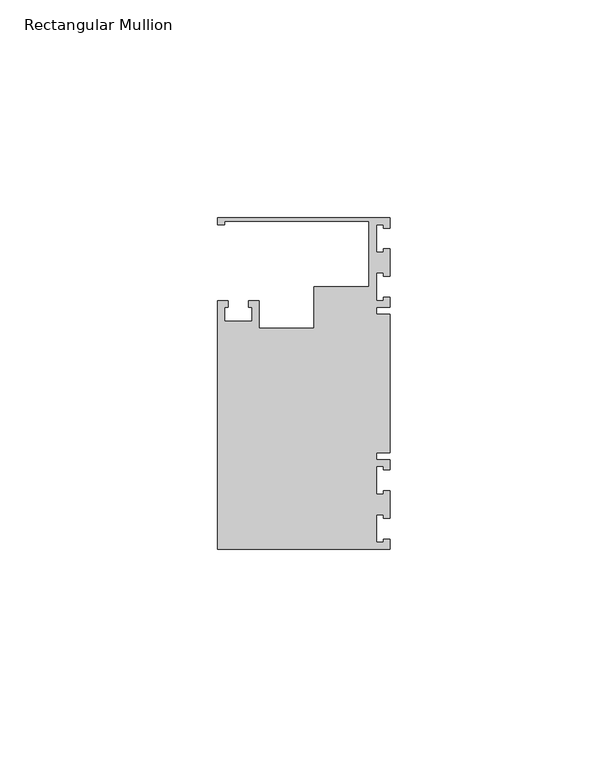
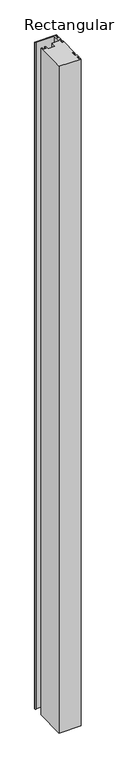
"""IFC4 building model written with IfcOpenShell, lengths in millimetres: member geometry, Rectangular Mullion."""

from ifc_helpers import new_model, si_unit, frame, origin, place, context, project, spatial, polyline, outline, extrude, source, transform, mapped, element, save


def rectangular_mullion_7e5b5da9(model_context):
    return source(origin(), model_context, "Body", "SweptSolid", [
        extrude(outline(polyline([(0.0, 38.1), (0.0, 35.71875), (-1.4999946, 35.71875), (-1.4999946, 36.5125), (-3.175, 36.5125), (-3.175, 30.1625), (-1.4999946, 30.1625), (-1.4999946, 30.95625), (0.0, 30.95625), (0.0, 24.60625), (-1.4999946, 24.60625), (-1.4999946, 25.4), (-3.175, 25.4), (-3.175, 19.05), (-1.4999946, 19.05), (-1.4999946, 19.84375), (0.0, 19.84375), (0.0, 17.4625), (-3.175, 17.4625), (-3.175, 15.875), (0.0, 15.875), (0.0, -15.875), (-3.175, -15.875), (-3.175, -17.4625), (0.0, -17.4625), (0.0, -19.84375), (-1.4999946, -19.84375), (-1.4999946, -19.05), (-3.175, -19.05), (-3.175, -25.4), (-1.4999946, -25.4), (-1.4999946, -24.60625), (0.0, -24.60625), (0.0, -30.95625), (-1.4999946, -30.95625), (-1.4999946, -30.1625), (-3.175, -30.1625), (-3.175, -36.5125), (-1.4999946, -36.5125), (-1.4999946, -35.71875), (0.0, -35.71875), (0.0, -38.1), (-39.6875, -38.1), (-39.6875, 19.05), (-37.30625, 19.05), (-37.30625, 17.4625), (-38.1, 17.4625), (-38.1, 14.2875), (-31.75, 14.2875), (-31.75, 17.4625), (-32.54375, 17.4625), (-32.54375, 19.05), (-30.1625, 19.05), (-30.1625, 12.6999969), (-17.4625, 12.6999969), (-17.4625, 22.225), (-4.8585733, 22.225), (-4.8585733, 37.30625), (-38.1, 37.30625), (-38.1, 36.5125), (-39.6875, 36.5125), (-39.6875, 38.1), (0.0, 38.1)])), frame((0.0, 0.0, -1270.0), z_axis=(0.0, 0.0, 1.0), x_axis=(1.0, 0.0, 0.0)), (0.0, 0.0, 1.0), 1270.0),
    ])


if __name__ == "__main__":
    model = new_model("IFC4")
    model_context = context("Model", 3, world=origin())
    ifc_project = project(units=[si_unit("LENGTHUNIT", "METRE", prefix="MILLI")], contexts=[model_context])
    site = spatial("IfcSite", under=ifc_project)
    building = spatial("IfcBuilding", under=site)
    placement = place(None, origin())
    rectangular_mullion_shape = rectangular_mullion_7e5b5da9(model_context)
    element("IfcMember", 1, ObjectType="Rectangular Mullion", at=placement, inside=building, context=model_context, shape_type="MappedRepresentation", body=[
        mapped(rectangular_mullion_shape, transform((0.0, 0.0, 0.0), x_axis=(1.0, 0.0, 0.0), y_axis=(0.0, 1.0, 0.0), z_axis=(0.0, 0.0, 1.0))),
    ])
    save(model, "model.ifc")
